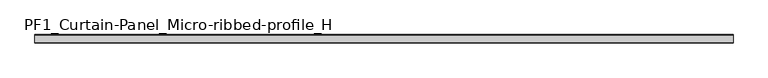
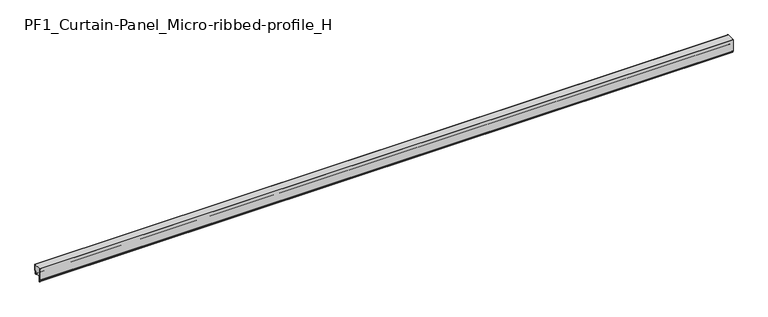
"""IFC4 building model written with IfcOpenShell, lengths in millimetres: plate geometry, PF1_Curtain-Panel_Micro-ribbed-profile_H."""

from ifc_helpers import new_model, si_unit, point, frame, frame_2d, origin, place, context, project, spatial, polyline, circle_curve, trimmed, segment, composite_curve, outline, extrude, source, transform, mapped, element, save


def pf1_curtain_panel_micro_ribbed_profile_h_503e88d4(model_context):
    return source(origin(), model_context, "Body", "SweptSolid", [
        extrude(outline(composite_curve([segment(polyline([(-40.0, 0.0), (-43.5, 0.0)]), True, "CONTINUOUS"), segment(trimmed(circle_curve(frame_2d((-43.5, -2.0)), 2.0), [point((-43.5, 0.0))], [point((-45.5, -2.0))], True, "CARTESIAN"), True, "CONTINUOUS"), segment(polyline([(-45.5, -2.0), (-45.5, -33.0)]), True, "CONTINUOUS"), segment(trimmed(circle_curve(frame_2d((-46.5, -33.0)), 1.0), [point((-45.5, -33.0))], [point((-47.5, -33.0))], False, "CARTESIAN"), True, "CONTINUOUS"), segment(polyline([(-47.5, -33.0), (-47.5, -26.9)]), True, "CONTINUOUS"), segment(trimmed(circle_curve(frame_2d((-48.4, -26.9)), 0.9), [point((-47.5, -26.9))], [point((-48.4, -26.0))], True, "CARTESIAN"), True, "CONTINUOUS"), segment(trimmed(circle_curve(frame_2d((-48.4, -24.4)), 1.6), [point((-48.4, -26.0))], [point((-50.0, -24.4))], False, "CARTESIAN"), True, "CONTINUOUS"), segment(polyline([(-50.0, -24.4), (-50.0, 50.0), (-49.2, 50.0), (-49.2, -24.4)]), True, "CONTINUOUS"), segment(trimmed(circle_curve(frame_2d((-48.4, -24.4)), 0.8), [point((-49.2, -24.4))], [point((-48.4, -25.2))], True, "CARTESIAN"), True, "CONTINUOUS"), segment(trimmed(circle_curve(frame_2d((-48.6133333, -26.9)), 1.7133333), [point((-48.4, -25.2))], [point((-46.9, -26.9))], False, "CARTESIAN"), True, "CONTINUOUS"), segment(polyline([(-46.9, -26.9), (-46.9, -32.8700312)]), True, "CONTINUOUS"), segment(trimmed(circle_curve(frame_2d((-46.6, -32.8700312)), 0.3), [point((-46.9, -32.8700312))], [point((-46.3, -32.8700312))], True, "CARTESIAN"), True, "CONTINUOUS"), segment(polyline([(-46.3, -32.8700312), (-46.3, -2.0)]), True, "CONTINUOUS"), segment(trimmed(circle_curve(frame_2d((-43.5, -2.0)), 2.8), [point((-46.3, -2.0))], [point((-43.5, 0.8))], False, "CARTESIAN"), True, "CONTINUOUS"), segment(polyline([(-43.5, 0.8), (-40.0, 0.8), (-40.0, 0.0)]), True, "CONTINUOUS")], self_intersect=False)), frame((-2100.0119739, 0.0, 0.0), z_axis=(1.0, 0.0, 0.0), x_axis=(0.0, 1.0, 0.0)), (0.0, 0.0, 1.0), 4200.0239479),
        extrude(outline(composite_curve([segment(polyline([(-15.878557, 0.0), (-20.0, 0.0), (-20.0, 0.8), (-15.878557, 0.8)]), True, "CONTINUOUS"), segment(trimmed(circle_curve(frame_2d((-15.878557, -2.0)), 2.8), [point((-15.878557, 0.8))], [point((-13.1503208, -1.370137))], False, "CARTESIAN"), True, "CONTINUOUS"), segment(polyline([(-13.1503208, -1.370137), (-11.728236, -7.529863)]), True, "CONTINUOUS"), segment(trimmed(circle_curve(frame_2d((-9.0, -6.9)), 2.8), [point((-11.728236, -7.529863))], [point((-6.2, -6.9))], True, "CARTESIAN"), True, "CONTINUOUS"), segment(polyline([(-6.2, -6.9), (-6.2, 8.6)]), True, "CONTINUOUS"), segment(trimmed(circle_curve(frame_2d((-3.4, 8.6)), 2.8), [point((-6.2, 8.6))], [point((-3.4, 11.4))], False, "CARTESIAN"), True, "CONTINUOUS"), segment(polyline([(-3.4, 11.4), (-2.0, 11.4)]), True, "CONTINUOUS"), segment(trimmed(circle_curve(frame_2d((-2.0, 12.6)), 1.2), [point((-2.0, 11.4))], [point((-0.8, 12.6))], True, "CARTESIAN"), True, "CONTINUOUS"), segment(polyline([(-0.8, 12.6), (-0.8, 50.0), (0.0, 50.0), (0.0, 12.6)]), True, "CONTINUOUS"), segment(trimmed(circle_curve(frame_2d((-2.0, 12.6)), 2.0), [point((0.0, 12.6))], [point((-2.0, 10.6))], False, "CARTESIAN"), True, "CONTINUOUS"), segment(polyline([(-2.0, 10.6), (-3.4, 10.6)]), True, "CONTINUOUS"), segment(trimmed(circle_curve(frame_2d((-3.4, 8.6)), 2.0), [point((-3.4, 10.6))], [point((-5.4, 8.6))], True, "CARTESIAN"), True, "CONTINUOUS"), segment(polyline([(-5.4, 8.6), (-5.4, -6.9)]), True, "CONTINUOUS"), segment(trimmed(circle_curve(frame_2d((-9.0, -6.9)), 3.6), [point((-5.4, -6.9))], [point((-12.5077322, -7.7098239))], False, "CARTESIAN"), True, "CONTINUOUS"), segment(polyline([(-12.5077322, -7.7098239), (-13.929817, -1.5500979)]), True, "CONTINUOUS"), segment(trimmed(circle_curve(frame_2d((-15.878557, -2.0)), 2.0), [point((-13.929817, -1.5500979))], [point((-15.878557, 0.0))], True, "CARTESIAN"), True, "CONTINUOUS")], self_intersect=False)), frame((-2100.0119739, 0.0, 0.0), z_axis=(1.0, 0.0, 0.0), x_axis=(0.0, 1.0, 0.0)), (0.0, 0.0, 1.0), 4200.0239479),
        extrude(outline(composite_curve([segment(polyline([(-40.0, 0.8), (-43.5, 0.8)]), True, "CONTINUOUS"), segment(trimmed(circle_curve(frame_2d((-43.5, -2.0)), 2.8), [point((-43.5, 0.8))], [point((-46.3, -2.0))], True, "CARTESIAN"), True, "CONTINUOUS"), segment(polyline([(-46.3, -2.0), (-46.3, -32.8700312)]), True, "CONTINUOUS"), segment(trimmed(circle_curve(frame_2d((-46.6, -32.8700312)), 0.3), [point((-46.3, -32.8700312))], [point((-46.9, -32.8700312))], False, "CARTESIAN"), True, "CONTINUOUS"), segment(polyline([(-46.9, -32.8700312), (-46.9, -26.9)]), True, "CONTINUOUS"), segment(trimmed(circle_curve(frame_2d((-48.6133333, -26.9)), 1.7133333), [point((-46.9, -26.9))], [point((-48.4, -25.2))], True, "CARTESIAN"), True, "CONTINUOUS"), segment(trimmed(circle_curve(frame_2d((-48.4, -24.4)), 0.8), [point((-48.4, -25.2))], [point((-49.2, -24.4))], False, "CARTESIAN"), True, "CONTINUOUS"), segment(polyline([(-49.2, -24.4), (-49.2, 50.0), (-0.8, 50.0), (-0.8, 12.6)]), True, "CONTINUOUS"), segment(trimmed(circle_curve(frame_2d((-2.0, 12.6)), 1.2), [point((-0.8, 12.6))], [point((-2.0, 11.4))], False, "CARTESIAN"), True, "CONTINUOUS"), segment(polyline([(-2.0, 11.4), (-3.4, 11.4)]), True, "CONTINUOUS"), segment(trimmed(circle_curve(frame_2d((-3.4, 8.6)), 2.8), [point((-3.4, 11.4))], [point((-6.2, 8.6))], True, "CARTESIAN"), True, "CONTINUOUS"), segment(polyline([(-6.2, 8.6), (-6.2, -6.9)]), True, "CONTINUOUS"), segment(trimmed(circle_curve(frame_2d((-9.0, -6.9)), 2.8), [point((-6.2, -6.9))], [point((-11.7282362, -7.529863))], False, "CARTESIAN"), True, "CONTINUOUS"), segment(polyline([(-11.7282362, -7.529863), (-13.1503208, -1.370137)]), True, "CONTINUOUS"), segment(trimmed(circle_curve(frame_2d((-15.878557, -2.0)), 2.8), [point((-13.1503208, -1.370137))], [point((-15.878557, 0.8))], True, "CARTESIAN"), True, "CONTINUOUS"), segment(polyline([(-15.878557, 0.8), (-20.0, 0.8), (-20.0, 0.0), (-40.0, 0.0), (-40.0, 0.8)]), True, "CONTINUOUS")], self_intersect=False)), frame((-2100.0119739, 0.0, 0.0), z_axis=(1.0, 0.0, 0.0), x_axis=(0.0, 1.0, 0.0)), (0.0, 0.0, 1.0), 4200.0239479),
    ])


if __name__ == "__main__":
    model = new_model("IFC4")
    model_context = context("Model", 3, world=origin())
    ifc_project = project(units=[si_unit("LENGTHUNIT", "METRE", prefix="MILLI")], contexts=[model_context])
    site = spatial("IfcSite", under=ifc_project)
    building = spatial("IfcBuilding", under=site)
    placement = place(None, origin())
    pf1_curtain_panel_micro_ribbed_profile_h_shape = pf1_curtain_panel_micro_ribbed_profile_h_503e88d4(model_context)
    element("IfcPlate", 1, ObjectType="PF1_Curtain-Panel_Micro-ribbed-profile_H", at=placement, inside=building, context=model_context, shape_type="MappedRepresentation", body=[
        mapped(pf1_curtain_panel_micro_ribbed_profile_h_shape, transform((0.0, 0.0, 0.0), x_axis=(1.0, 0.0, 0.0), y_axis=(0.0, 1.0, 0.0), z_axis=(0.0, 0.0, 1.0))),
    ])
    save(model, "model.ifc")
